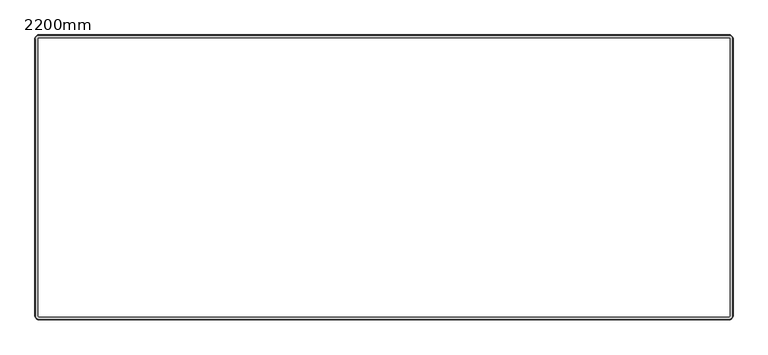
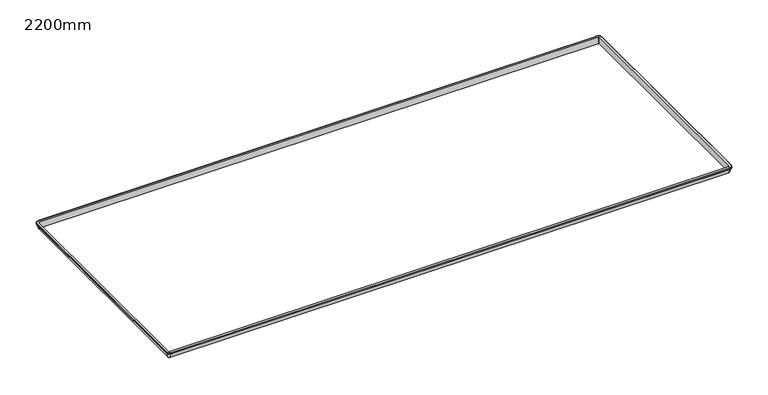
"""IFC4 building model written with IfcOpenShell, lengths in millimetres: furniture geometry, 2200mm."""

from ifc_helpers import new_model, si_unit, point, frame, origin, place, context, project, spatial, polyline, circle_curve, ellipse_curve, trimmed, source, transform, mapped, element, save
from ifc_brep_helpers import plane_surface, cylinder_surface, revolved_surface, advanced_brep


def furniture_2200mm_bb501747(model_context):
    return source(origin(), model_context, "Body", "AdvancedBrep", [
        advanced_brep(
        [(-1091.9, -440.85, 975.0), (-1091.9, -440.85, 1000.0), (1091.9, -440.85, 1000.0), (1091.9, -440.85, 975.0), (-1091.9, -450.5505175, 994.6740876), (-1091.9, -442.0166667, 975.0), (1091.9, -442.0166667, 975.0), (1091.9, -450.5505175, 994.6740876), (-1091.9, -450.85, 999.5), (-1091.9, -450.85, 996.3785334), (1091.9, -450.85, 996.3785334), (1091.9, -450.85, 999.5), (-1091.9, -450.35, 1000.0), (1091.9, -450.35, 1000.0), (1094.9, -437.85, 975.0), (1094.9, -437.85, 1000.0), (1094.9, 437.85, 1000.0), (1094.9, 437.85, 975.0), (1104.6005175, -437.85, 994.6740876), (1096.0666667, -437.85, 975.0), (1096.0666667, 437.85, 975.0), (1104.6005175, 437.85, 994.6740876), (1104.9, -437.85, 999.5), (1104.9, -437.85, 996.3785334), (1104.9, 437.85, 996.3785334), (1104.9, 437.85, 999.5), (1104.4, -437.85, 1000.0), (1104.4, 437.85, 1000.0), (1091.9, 440.85, 975.0), (1091.9, 440.85, 1000.0), (-1091.9, 440.85, 1000.0), (-1091.9, 440.85, 975.0), (1091.9, 450.5505175, 994.6740876), (1091.9, 442.0166667, 975.0), (-1091.9, 442.0166667, 975.0), (-1091.9, 450.5505175, 994.6740876), (1091.9, 450.85, 999.5), (1091.9, 450.85, 996.3785334), (-1091.9, 450.85, 996.3785334), (-1091.9, 450.85, 999.5), (1091.9, 450.35, 1000.0), (-1091.9, 450.35, 1000.0), (-1094.9, 437.85, 975.0), (-1094.9, 437.85, 1000.0), (-1094.9, -437.85, 1000.0), (-1094.9, -437.85, 975.0), (-1104.6005175, 437.85, 994.6740876), (-1096.0666667, 437.85, 975.0), (-1096.0666667, -437.85, 975.0), (-1104.6005175, -437.85, 994.6740876), (-1104.9, 437.85, 999.5), (-1104.9, 437.85, 996.3785334), (-1104.9, -437.85, 996.3785334), (-1104.9, -437.85, 999.5), (-1104.4, 437.85, 1000.0), (-1104.4, -437.85, 1000.0)],
        [
            (0, 1),
            (1, 2),
            (2, 3),
            (3, 0),
            (4, 5),
            (5, 6),
            (6, 7),
            (7, 4),
            (8, 9),
            (9, 10),
            (10, 11),
            (11, 8),
            (12, 8, circle_curve(frame((-1091.9, -450.35, 999.5), z_axis=(1.0, 0.0, 0.0), x_axis=(0.0, 1.0, 0.0)), 0.5)),
            (11, 13, circle_curve(frame((1091.9, -450.35, 999.5), z_axis=(-1.0, 0.0, 0.0), x_axis=(0.0, 1.0, 0.0)), 0.5)),
            (13, 12),
            (14, 15),
            (15, 16),
            (16, 17),
            (17, 14),
            (18, 19),
            (19, 20),
            (20, 21),
            (21, 18),
            (22, 23),
            (23, 24),
            (24, 25),
            (25, 22),
            (26, 22, circle_curve(frame((1104.4, -437.85, 999.5), z_axis=(0.0, 1.0, 0.0), x_axis=(-1.0, 0.0, 0.0)), 0.5)),
            (25, 27, circle_curve(frame((1104.4, 437.85, 999.5), z_axis=(0.0, -1.0, 0.0), x_axis=(-1.0, 0.0, 0.0)), 0.5)),
            (27, 26),
            (28, 29),
            (29, 30),
            (30, 31),
            (31, 28),
            (32, 33),
            (33, 34),
            (34, 35),
            (35, 32),
            (36, 37),
            (37, 38),
            (38, 39),
            (39, 36),
            (40, 36, circle_curve(frame((1091.9, 450.35, 999.5), z_axis=(-1.0, 0.0, 0.0), x_axis=(0.0, -1.0, 0.0)), 0.5)),
            (39, 41, circle_curve(frame((-1091.9, 450.35, 999.5), z_axis=(1.0, 0.0, 0.0), x_axis=(0.0, -1.0, 0.0)), 0.5)),
            (41, 40),
            (42, 43),
            (43, 44),
            (44, 45),
            (45, 42),
            (46, 47),
            (47, 48),
            (48, 49),
            (49, 46),
            (50, 51),
            (51, 52),
            (52, 53),
            (53, 50),
            (54, 50, circle_curve(frame((-1104.4, 437.85, 999.5), z_axis=(0.0, -1.0, 0.0), x_axis=(1.0, 0.0, 0.0)), 0.5)),
            (53, 55, circle_curve(frame((-1104.4, -437.85, 999.5), z_axis=(0.0, 1.0, 0.0), x_axis=(1.0, 0.0, 0.0)), 0.5)),
            (55, 54),
            (9, 4, circle_curve(frame((-1091.9, -445.85, 996.3785334), z_axis=(1.0, 0.0, 0.0), x_axis=(0.0, 1.0, 0.0)), 5.0)),
            (7, 10, circle_curve(frame((1091.9, -445.85, 996.3785334), z_axis=(-1.0, 0.0, 0.0), x_axis=(0.0, 1.0, 0.0)), 5.0)),
            (23, 18, circle_curve(frame((1099.9, -437.85, 996.3785334), z_axis=(0.0, 1.0, 0.0), x_axis=(-1.0, 0.0, 0.0)), 5.0)),
            (21, 24, circle_curve(frame((1099.9, 437.85, 996.3785334), z_axis=(0.0, -1.0, 0.0), x_axis=(-1.0, 0.0, 0.0)), 5.0)),
            (37, 32, circle_curve(frame((1091.9, 445.85, 996.3785334), z_axis=(-1.0, 0.0, 0.0), x_axis=(0.0, -1.0, 0.0)), 5.0)),
            (35, 38, circle_curve(frame((-1091.9, 445.85, 996.3785334), z_axis=(1.0, 0.0, 0.0), x_axis=(0.0, -1.0, 0.0)), 5.0)),
            (51, 46, circle_curve(frame((-1099.9, 437.85, 996.3785334), z_axis=(0.0, -1.0, 0.0), x_axis=(1.0, 0.0, 0.0)), 5.0)),
            (49, 52, circle_curve(frame((-1099.9, -437.85, 996.3785334), z_axis=(0.0, 1.0, 0.0), x_axis=(1.0, 0.0, 0.0)), 5.0)),
            (0, 45, circle_curve(frame((-1091.9, -437.85, 975.0), z_axis=(0.0, 0.0, -1.0), x_axis=(-1.0, 0.0, 0.0)), 3.0)),
            (44, 1, circle_curve(frame((-1091.9, -437.85, 1000.0), z_axis=(0.0, 0.0, 1.0), x_axis=(-1.0, 0.0, 0.0)), 3.0)),
            (4, 49, circle_curve(frame((-1091.9, -437.85, 994.6740876), z_axis=(0.0, 0.0, -1.0), x_axis=(-1.0, 0.0, 0.0)), 12.7005175)),
            (48, 5, circle_curve(frame((-1091.9, -437.85, 975.0), z_axis=(0.0, 0.0, 1.0), x_axis=(-1.0, 0.0, 0.0)), 4.1666667)),
            (9, 52, circle_curve(frame((-1091.9, -437.85, 996.3785334), z_axis=(0.0, 0.0, -1.0), x_axis=(-1.0, 0.0, 0.0)), 13.0)),
            (8, 53, circle_curve(frame((-1091.9, -437.85, 999.5), z_axis=(0.0, 0.0, -1.0), x_axis=(-1.0, 0.0, 0.0)), 13.0)),
            (12, 55, circle_curve(frame((-1091.9, -437.85, 1000.0), z_axis=(0.0, 0.0, -1.0), x_axis=(-1.0, 0.0, 0.0)), 12.5)),
            (14, 3, circle_curve(frame((1091.9, -437.85, 975.0), z_axis=(0.0, 0.0, -1.0), x_axis=(0.0, -1.0, 0.0)), 3.0)),
            (2, 15, circle_curve(frame((1091.9, -437.85, 1000.0), z_axis=(0.0, 0.0, 1.0), x_axis=(0.0, -1.0, 0.0)), 3.0)),
            (18, 7, circle_curve(frame((1091.9, -437.85, 994.6740876), z_axis=(0.0, 0.0, -1.0), x_axis=(0.0, -1.0, 0.0)), 12.7005175)),
            (6, 19, circle_curve(frame((1091.9, -437.85, 975.0), z_axis=(0.0, 0.0, 1.0), x_axis=(0.0, -1.0, 0.0)), 4.1666667)),
            (23, 10, circle_curve(frame((1091.9, -437.85, 996.3785334), z_axis=(0.0, 0.0, -1.0), x_axis=(0.0, -1.0, 0.0)), 13.0)),
            (22, 11, circle_curve(frame((1091.9, -437.85, 999.5), z_axis=(0.0, 0.0, -1.0), x_axis=(0.0, -1.0, 0.0)), 13.0)),
            (26, 13, circle_curve(frame((1091.9, -437.85, 1000.0), z_axis=(0.0, 0.0, -1.0), x_axis=(0.0, -1.0, 0.0)), 12.5)),
            (28, 17, circle_curve(frame((1091.9, 437.85, 975.0), z_axis=(0.0, 0.0, -1.0), x_axis=(1.0, 0.0, 0.0)), 3.0)),
            (16, 29, circle_curve(frame((1091.9, 437.85, 1000.0), z_axis=(0.0, 0.0, 1.0), x_axis=(1.0, 0.0, 0.0)), 3.0)),
            (32, 21, circle_curve(frame((1091.9, 437.85, 994.6740876), z_axis=(0.0, 0.0, -1.0), x_axis=(1.0, 0.0, 0.0)), 12.7005175)),
            (20, 33, circle_curve(frame((1091.9, 437.85, 975.0), z_axis=(0.0, 0.0, 1.0), x_axis=(1.0, 0.0, 0.0)), 4.1666667)),
            (37, 24, circle_curve(frame((1091.9, 437.85, 996.3785334), z_axis=(0.0, 0.0, -1.0), x_axis=(1.0, 0.0, 0.0)), 13.0)),
            (36, 25, circle_curve(frame((1091.9, 437.85, 999.5), z_axis=(0.0, 0.0, -1.0), x_axis=(1.0, 0.0, 0.0)), 13.0)),
            (40, 27, circle_curve(frame((1091.9, 437.85, 1000.0), z_axis=(0.0, 0.0, -1.0), x_axis=(1.0, 0.0, 0.0)), 12.5)),
            (41, 54, circle_curve(frame((-1091.9, 437.85, 1000.0), z_axis=(0.0, 0.0, 1.0), x_axis=(0.0, 1.0, 0.0)), 12.5)),
            (43, 30, circle_curve(frame((-1091.9, 437.85, 1000.0), z_axis=(0.0, 0.0, -1.0), x_axis=(0.0, 1.0, 0.0)), 3.0)),
            (42, 31, circle_curve(frame((-1091.9, 437.85, 975.0), z_axis=(0.0, 0.0, -1.0), x_axis=(0.0, 1.0, 0.0)), 3.0)),
            (47, 34, circle_curve(frame((-1091.9, 437.85, 975.0), z_axis=(0.0, 0.0, -1.0), x_axis=(0.0, 1.0, 0.0)), 4.1666667)),
            (46, 35, circle_curve(frame((-1091.9, 437.85, 994.6740876), z_axis=(0.0, 0.0, -1.0), x_axis=(0.0, 1.0, 0.0)), 12.7005175)),
            (51, 38, circle_curve(frame((-1091.9, 437.85, 996.3785334), z_axis=(0.0, 0.0, -1.0), x_axis=(0.0, 1.0, 0.0)), 13.0)),
            (50, 39, circle_curve(frame((-1091.9, 437.85, 999.5), z_axis=(0.0, 0.0, -1.0), x_axis=(0.0, 1.0, 0.0)), 13.0)),
        ],
        [
            plane_surface(frame((-1091.9, -440.85, 1000.0), z_axis=(0.0, 1.0, 0.0), x_axis=(1.0, 0.0, 0.0))),
            plane_surface(frame((-1091.9, -442.0166667, 975.0), z_axis=(0.0, -0.9174124462943551, -0.3979376878158276), x_axis=(1.0, 0.0, 0.0))),
            plane_surface(frame((-1091.9, -450.85, 996.3785334), z_axis=(0.0, -1.0, 0.0), x_axis=(1.0, 0.0, 0.0))),
            cylinder_surface(frame((-1091.9, -450.35, 999.5), z_axis=(-1.0, 0.0, 0.0), x_axis=(0.0, 1.0, 0.0)), 0.5),
            plane_surface(frame((1094.9, -437.85, 1000.0), z_axis=(-1.0, 0.0, 0.0), x_axis=(0.0, 1.0, 0.0))),
            plane_surface(frame((1096.0666667, -437.85, 975.0), z_axis=(0.9174124462943538, 0.0, -0.39793768781583055), x_axis=(0.0, 1.0, 0.0))),
            plane_surface(frame((1104.9, -437.85, 996.3785334), z_axis=(1.0, 0.0, 0.0), x_axis=(0.0, 1.0, 0.0))),
            cylinder_surface(frame((1104.4, -437.85, 999.5), z_axis=(0.0, -1.0, 0.0), x_axis=(-1.0, 0.0, 0.0)), 0.5),
            plane_surface(frame((1091.9, 440.85, 1000.0), z_axis=(0.0, -1.0, 0.0), x_axis=(-1.0, 0.0, 0.0))),
            plane_surface(frame((1091.9, 442.0166667, 975.0), z_axis=(0.0, 0.9174124462943551, -0.3979376878158276), x_axis=(-1.0, 0.0, 0.0))),
            plane_surface(frame((1091.9, 450.85, 996.3785334), z_axis=(0.0, 1.0, 0.0), x_axis=(-1.0, 0.0, 0.0))),
            cylinder_surface(frame((1091.9, 450.35, 999.5), z_axis=(1.0, 0.0, 0.0), x_axis=(0.0, -1.0, 0.0)), 0.5),
            plane_surface(frame((-1094.9, 437.85, 1000.0), z_axis=(1.0, 0.0, 0.0), x_axis=(0.0, -1.0, 0.0))),
            plane_surface(frame((-1096.0666667, 437.85, 975.0), z_axis=(-0.9174124462943565, 0.0, -0.39793768781582467), x_axis=(0.0, -1.0, 0.0))),
            plane_surface(frame((-1104.9, 437.85, 996.3785334), z_axis=(-1.0, 0.0, 0.0), x_axis=(0.0, -1.0, 0.0))),
            cylinder_surface(frame((-1104.4, 437.85, 999.5), z_axis=(0.0, 1.0, 0.0), x_axis=(1.0, 0.0, 0.0)), 0.5),
            cylinder_surface(frame((-1091.9, -445.85, 996.3785334), z_axis=(-1.0, 0.0, 0.0), x_axis=(0.0, 1.0, 0.0)), 5.0),
            cylinder_surface(frame((1099.9, -437.85, 996.3785334), z_axis=(0.0, -1.0, 0.0), x_axis=(-1.0, 0.0, 0.0)), 5.0),
            cylinder_surface(frame((1091.9, 445.85, 996.3785334), z_axis=(1.0, 0.0, 0.0), x_axis=(0.0, -1.0, 0.0)), 5.0),
            cylinder_surface(frame((-1099.9, 437.85, 996.3785334), z_axis=(0.0, 1.0, 0.0), x_axis=(1.0, 0.0, 0.0)), 5.0),
            revolved_surface(polyline([(-1094.9, -437.85, 1000.0), (-1094.9, -437.85, 975.0)]), (-1091.9, -437.85, 975.0), (0.0, 0.0, 1.0)),
            revolved_surface(polyline([(-1096.0666667, -437.85, 975.0), (-1104.6005175, -437.85, 994.6740876)]), (-1091.9, -437.85, 975.0), (0.0, 0.0, 1.0)),
            revolved_surface(trimmed(ellipse_curve(frame((-1099.9, -437.85, 996.3785334), z_axis=(0.0, 1.0, 0.0), x_axis=(1.0, 0.0, 0.0)), 5.0, 5.0), [point((-1104.6005175, -437.85, 994.6740876))], [point((-1104.9, -437.85, 996.3785334))], True, "CARTESIAN"), (-1091.9, -437.85, 975.0), (0.0, 0.0, 1.0)),
            cylinder_surface(frame((-1091.9, -437.85, 975.0), z_axis=(0.0, 0.0, 1.0), x_axis=(-1.0, 0.0, 0.0)), 13.0),
            revolved_surface(trimmed(ellipse_curve(frame((-1104.4, -437.85, 999.5), z_axis=(0.0, 1.0, 0.0), x_axis=(1.0, 0.0, 0.0)), 0.5, 0.5), [point((-1104.9, -437.85, 999.5))], [point((-1104.4, -437.85, 1000.0))], True, "CARTESIAN"), (-1091.9, -437.85, 975.0), (0.0, 0.0, 1.0)),
            revolved_surface(polyline([(1091.9, -440.85, 1000.0), (1091.9, -440.85, 975.0)]), (1091.9, -437.85, 975.0), (0.0, 0.0, 1.0)),
            revolved_surface(polyline([(1091.9, -442.0166667, 975.0), (1091.9, -450.5505175, 994.6740876)]), (1091.9, -437.85, 975.0), (0.0, 0.0, 1.0)),
            revolved_surface(trimmed(ellipse_curve(frame((1091.9, -445.85, 996.3785334), z_axis=(-1.0, 0.0, 0.0), x_axis=(0.0, 1.0, 0.0)), 5.0, 5.0), [point((1091.9, -450.5505175, 994.6740876))], [point((1091.9, -450.85, 996.3785334))], True, "CARTESIAN"), (1091.9, -437.85, 975.0), (0.0, 0.0, 1.0)),
            cylinder_surface(frame((1091.9, -437.85, 975.0), z_axis=(0.0, 0.0, 1.0), x_axis=(0.0, -1.0, 0.0)), 13.0),
            revolved_surface(trimmed(ellipse_curve(frame((1091.9, -450.35, 999.5), z_axis=(-1.0, 0.0, 0.0), x_axis=(0.0, 1.0, 0.0)), 0.5, 0.5), [point((1091.9, -450.85, 999.5))], [point((1091.9, -450.35, 1000.0))], True, "CARTESIAN"), (1091.9, -437.85, 975.0), (0.0, 0.0, 1.0)),
            revolved_surface(polyline([(1094.9, 437.85, 1000.0), (1094.9, 437.85, 975.0)]), (1091.9, 437.85, 975.0), (0.0, 0.0, 1.0)),
            revolved_surface(polyline([(1096.0666667, 437.85, 975.0), (1104.6005175, 437.85, 994.6740876)]), (1091.9, 437.85, 975.0), (0.0, 0.0, 1.0)),
            revolved_surface(trimmed(ellipse_curve(frame((1099.9, 437.85, 996.3785334), z_axis=(0.0, -1.0, 0.0), x_axis=(-1.0, 0.0, 0.0)), 5.0, 5.0), [point((1104.6005175, 437.85, 994.6740876))], [point((1104.9, 437.85, 996.3785334))], True, "CARTESIAN"), (1091.9, 437.85, 975.0), (0.0, 0.0, 1.0)),
            cylinder_surface(frame((1091.9, 437.85, 975.0), z_axis=(0.0, 0.0, 1.0), x_axis=(1.0, 0.0, 0.0)), 13.0),
            revolved_surface(trimmed(ellipse_curve(frame((1104.4, 437.85, 999.5), z_axis=(0.0, -1.0, 0.0), x_axis=(-1.0, 0.0, 0.0)), 0.5, 0.5), [point((1104.9, 437.85, 999.5))], [point((1104.4, 437.85, 1000.0))], True, "CARTESIAN"), (1091.9, 437.85, 975.0), (0.0, 0.0, 1.0)),
            plane_surface(frame((-1091.9, 437.85, 1000.0), z_axis=(0.0, 0.0, 1.0), x_axis=(0.0, 1.0, 0.0))),
            revolved_surface(polyline([(-1091.9, 440.85, 1000.0), (-1091.9, 440.85, 975.0)]), (-1091.9, 437.85, 975.0), (0.0, 0.0, 1.0)),
            plane_surface(frame((-1091.9, 437.85, 975.0), z_axis=(0.0, 0.0, -1.0), x_axis=(0.0, 1.0, 0.0))),
            revolved_surface(polyline([(-1091.9, 442.0166667, 975.0), (-1091.9, 450.5505175, 994.6740876)]), (-1091.9, 437.85, 975.0), (0.0, 0.0, 1.0)),
            revolved_surface(trimmed(ellipse_curve(frame((-1091.9, 445.85, 996.3785334), z_axis=(1.0, 0.0, 0.0), x_axis=(0.0, -1.0, 0.0)), 5.0, 5.0), [point((-1091.9, 450.5505175, 994.6740876))], [point((-1091.9, 450.85, 996.3785334))], True, "CARTESIAN"), (-1091.9, 437.85, 975.0), (0.0, 0.0, 1.0)),
            cylinder_surface(frame((-1091.9, 437.85, 975.0), z_axis=(0.0, 0.0, 1.0), x_axis=(0.0, 1.0, 0.0)), 13.0),
            revolved_surface(trimmed(ellipse_curve(frame((-1091.9, 450.35, 999.5), z_axis=(1.0, 0.0, 0.0), x_axis=(0.0, -1.0, 0.0)), 0.5, 0.5), [point((-1091.9, 450.85, 999.5))], [point((-1091.9, 450.35, 1000.0))], True, "CARTESIAN"), (-1091.9, 437.85, 975.0), (0.0, 0.0, 1.0)),
        ],
        [
            (0, [[1, 2, 3, 4]]),
            (1, [[5, 6, 7, 8]]),
            (2, [[9, 10, 11, 12]]),
            (3, [[13, -12, 14, 15]]),
            (4, [[16, 17, 18, 19]]),
            (5, [[20, 21, 22, 23]]),
            (6, [[24, 25, 26, 27]]),
            (7, [[28, -27, 29, 30]]),
            (8, [[31, 32, 33, 34]]),
            (9, [[35, 36, 37, 38]]),
            (10, [[39, 40, 41, 42]]),
            (11, [[43, -42, 44, 45]]),
            (12, [[46, 47, 48, 49]]),
            (13, [[50, 51, 52, 53]]),
            (14, [[54, 55, 56, 57]]),
            (15, [[58, -57, 59, 60]]),
            (16, [[61, -8, 62, -10]]),
            (17, [[63, -23, 64, -25]]),
            (18, [[65, -38, 66, -40]]),
            (19, [[67, -53, 68, -55]]),
            (20, [[69, -48, 70, -1]]),
            (21, [[71, -52, 72, -5]]),
            (22, [[73, -68, -71, -61]]),
            (23, [[74, -56, -73, -9]]),
            (24, [[75, -59, -74, -13]]),
            (25, [[76, -3, 77, -16]]),
            (26, [[78, -7, 79, -20]]),
            (27, [[80, -62, -78, -63]]),
            (28, [[81, -11, -80, -24]]),
            (29, [[82, -14, -81, -28]]),
            (30, [[83, -18, 84, -31]]),
            (31, [[85, -22, 86, -35]]),
            (32, [[87, -64, -85, -65]]),
            (33, [[88, -26, -87, -39]]),
            (34, [[89, -29, -88, -43]]),
            (35, [[-30, -89, -45, 90, -60, -75, -15, -82], [91, -32, -84, -17, -77, -2, -70, -47]]),
            (36, [[92, -33, -91, -46]]),
            (37, [[93, -36, -86, -21, -79, -6, -72, -51], [-19, -83, -34, -92, -49, -69, -4, -76]]),
            (38, [[94, -37, -93, -50]]),
            (39, [[95, -66, -94, -67]]),
            (40, [[96, -41, -95, -54]]),
            (41, [[-90, -44, -96, -58]]),
        ],
    ),
    ])


if __name__ == "__main__":
    model = new_model("IFC4")
    model_context = context("Model", 3, world=origin())
    ifc_project = project(units=[si_unit("LENGTHUNIT", "METRE", prefix="MILLI")], contexts=[model_context])
    site = spatial("IfcSite", under=ifc_project)
    building = spatial("IfcBuilding", under=site)
    placement = place(None, origin())
    furniture_2200mm_shape = furniture_2200mm_bb501747(model_context)
    element("IfcFurniture", 1, ObjectType="2200mm", at=placement, inside=building, context=model_context, shape_type="MappedRepresentation", body=[
        mapped(furniture_2200mm_shape, transform((0.0, 0.0, 0.0), x_axis=(1.0, 0.0, 0.0), y_axis=(0.0, 1.0, 0.0), z_axis=(0.0, 0.0, 1.0))),
    ])
    save(model, "model.ifc")
